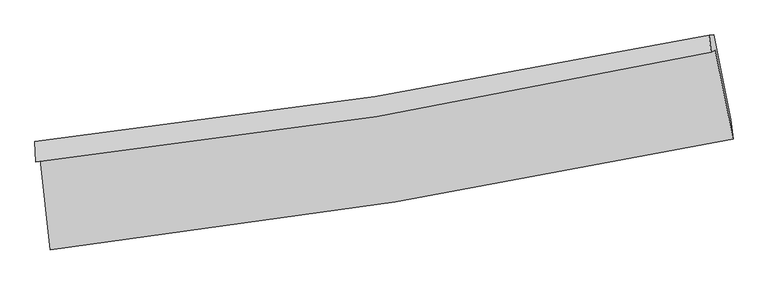
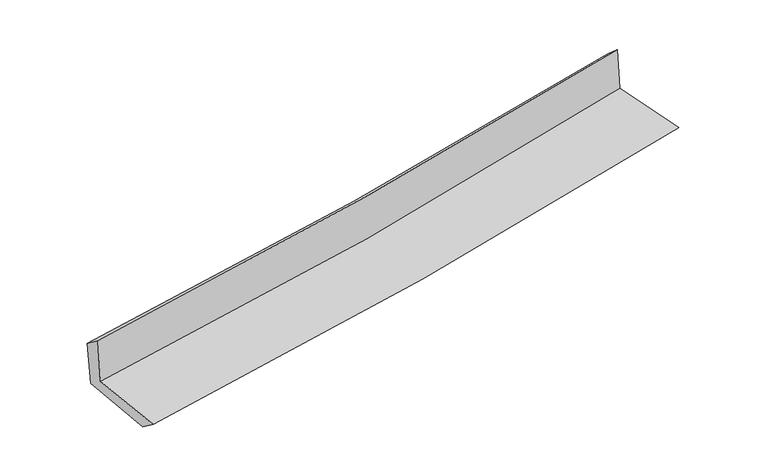
"""IFC4 building model written with IfcOpenShell, lengths in millimetres: proxy geometry."""

from ifc_helpers import new_model, si_unit, frame, origin, place, context, project, spatial, source, transform, mapped, element, save
from ifc_brep_helpers import plane_surface, spline_curve, spline_surface, advanced_brep


def generic_models_2dd49b40(model_context):
    return source(origin(), model_context, "Body", "AdvancedBrep", [
        advanced_brep(
        [(-2546.8197367, -1877.5150437, 1660.238), (-2472.4349453, -2551.2685296, 1643.3606532), (2610.6618296, -1724.1997976, 2115.4757634), (2477.5660459, -1061.6827093, 2127.1433059), (-2578.997514, -1895.2827471, 2057.2271769), (2447.0401552, -1078.597006, 2507.9806347), (-2585.6880865, -1744.8276301, 1945.5097749), (2431.6623011, -950.6578922, 2394.2394189), (-2552.9005004, -1743.5898144, 1562.2527129), (2465.4354037, -949.2628744, 2011.6740698), (-2479.0008533, -2403.6149835, 1533.7225499), (2593.4147609, -1581.1547981, 1988.9065151)],
        [
            (0, 1),
            (1, 2, spline_curve(3, [(-2472.4349453, -2551.2685296, 1643.3606532), (-1613.485859654, -2452.751743872, 1723.094164339), (-757.847594905, -2334.026208537, 1802.542900318), (936.437928272, -2057.847905249, 1959.907716485), (1775.165255249, -1900.883863305, 2037.830684249), (2610.6618296, -1724.1997976, 2115.4757634)], [4, 2, 4], [0.0, 8.489362647082986, 16.87544421667034])),
            (2, 3),
            (3, 0, spline_curve(3, [(2477.5660459, -1061.6827093, 2127.1433059), (1653.11827686, -1245.201598088, 2050.173255719), (824.78204194, -1404.679027058, 1973.01872058), (-849.916850091, -1677.218963197, 1817.388191002), (-1696.375876075, -1789.68564593, 1738.907623929), (-2546.8197367, -1877.5150437, 1660.238)], [4, 2, 4], [0.0, 8.386081569587352, 16.87544421667034])),
            (4, 0),
            (3, 5),
            (5, 4, spline_curve(3, [(2447.0401552, -1078.597006, 2507.9806347), (1621.412200001, -1262.625283588, 2444.741665515), (792.346283066, -1422.429215136, 2375.824251728), (-882.914402707, -1695.258152866, 2225.713829006), (-1729.194375621, -1807.682801972, 2144.380090237), (-2578.997514, -1895.2827471, 2057.2271769)], [4, 2, 4], [0.0, 8.338235476474514, 16.77916276881995])),
            (6, 4),
            (5, 7),
            (7, 6, spline_curve(3, [(2431.6623011, -950.6578922, 2394.2394189), (1606.876278821, -1123.766530174, 2321.955957178), (778.949010764, -1276.223789524, 2248.655213252), (-893.423267979, -1541.458843399, 2099.103876802), (-1737.946129405, -1653.724829865, 2022.828072819), (-2585.6880865, -1744.8276301, 1945.5097749)], [4, 2, 4], [0.0, 8.327930627490003, 16.75842615866939])),
            (8, 6),
            (7, 9),
            (9, 8, spline_curve(3, [(2465.4354037, -949.2628744, 2011.6740698), (1640.196644327, -1122.416568489, 1942.622325737), (811.960498034, -1274.909434265, 1870.89039049), (-860.743851992, -1540.19712259, 1721.149695452), (-1705.286340302, -1652.479903724, 1643.074511619), (-2552.9005004, -1743.5898144, 1562.2527129)], [4, 2, 4], [0.0, 8.318205631466908, 16.738856395779145])),
            (10, 8),
            (9, 11),
            (11, 10, spline_curve(3, [(2593.4147609, -1581.1547981, 1988.9065151), (1759.556450569, -1759.296216206, 1918.917787318), (922.532503812, -1916.614035333, 1846.240135456), (-768.194246245, -2191.2835063, 1694.578787508), (-1621.975504324, -2308.119082603, 1615.528450468), (-2479.0008533, -2403.6149835, 1533.7225499)], [4, 2, 4], [0.0, 8.366473624403458, 16.83598683929944])),
            (1, 10),
            (11, 2),
        ],
        [
            spline_surface(3, 3, [[(-2546.8197367, -1877.5150437, 1660.238), (-1696.375876111, -1789.685645927, 1738.907623973), (-849.916850152, -1677.218963297, 1817.38819087), (824.782042, -1404.67902696, 1973.018720711), (1653.118276891, -1245.201598071, 2050.173255769), (2477.5660459, -1061.6827093, 2127.1433059)], [(-2522.024806218, -2102.099538999, 1654.612217744), (-1668.745870629, -2010.707678537, 1733.636470811), (-819.227098414, -1896.154711706, 1812.439760651), (862.000670734, -1622.40198645, 1968.648386017), (1693.800602946, -1463.762353135, 2046.059065271), (2521.931307109, -1282.521738718, 2123.254125061)], [(-2497.229875782, -2326.684034301, 1648.986435456), (-1641.115865192, -2231.729711151, 1728.365317618), (-788.537346625, -2115.09046003, 1807.491330412), (899.21929952, -1840.124945856, 1964.278051302), (1734.482929072, -1682.323108247, 2041.944874789), (2566.296568391, -1503.360768182, 2119.364944239)], [(-2472.4349453, -2551.2685296, 1643.3606532), (-1613.48585971, -2452.751743761, 1723.094164456), (-757.847594887, -2334.026208439, 1802.542900193), (936.437928254, -2057.847905347, 1959.907716609), (1775.165255127, -1900.883863311, 2037.830684292), (2610.6618296, -1724.1997976, 2115.4757634)]], [4, 4], [4, 2, 4], [0.0, 2.1752400325654087], [0.0, 8.489362647082986, 16.87544421667034]),
            spline_surface(3, 3, [[(-2578.997514, -1895.2827471, 2057.2271769), (-1729.194375702, -1807.682801841, 2144.380090373), (-882.9144028, -1695.258152882, 2225.71382914), (792.346283158, -1422.429215121, 2375.824251597), (1621.412199989, -1262.625283684, 2444.741665385), (2447.0401552, -1078.597006, 2507.9806347)], [(-2568.271588248, -1889.360179305, 1924.897451271), (-1718.254875853, -1801.683749875, 2009.222601577), (-871.915218578, -1689.245089677, 2089.605283056), (803.158202779, -1416.512485725, 2241.555741308), (1631.980892282, -1256.817388496, 2313.218862167), (2457.215452093, -1072.958907116, 2381.034858421)], [(-2557.545662452, -1883.437611495, 1792.567725629), (-1707.31537596, -1795.684697893, 1874.065112769), (-860.916034375, -1683.232026501, 1953.496736954), (813.970122379, -1410.595756356, 2107.287231), (1642.549584598, -1251.009493259, 2181.696058987), (2467.390749007, -1067.320808184, 2254.089082179)], [(-2546.8197367, -1877.5150437, 1660.238), (-1696.375876111, -1789.685645927, 1738.907623973), (-849.916850152, -1677.218963297, 1817.38819087), (824.782042, -1404.67902696, 1973.018720711), (1653.118276891, -1245.201598071, 2050.173255769), (2477.5660459, -1061.6827093, 2127.1433059)]], [4, 4], [4, 2, 4], [0.0, 1.3363180457055077], [0.0, 8.440927292345437, 16.77916276881995]),
            spline_surface(3, 3, [[(-2585.6880865, -1744.8276301, 1945.5097749), (-1737.946129295, -1653.724829794, 2022.828072739), (-893.423268113, -1541.458843319, 2099.103876793), (778.949010897, -1276.223789603, 2248.655213261), (1606.876278894, -1123.766530122, 2321.955957202), (2431.6623011, -950.6578922, 2394.2394189)], [(-2583.457895649, -1794.979335762, 1982.748908876), (-1735.02887808, -1705.044153805, 2063.345411926), (-889.920313001, -1592.725279827, 2141.307194228), (783.414768325, -1324.958931429, 2291.044892692), (1611.721585933, -1170.052781325, 2362.884526592), (2436.788252474, -993.304263482, 2432.153157496)], [(-2581.227704851, -1845.131041438, 2019.988042924), (-1732.111626917, -1756.36347783, 2103.862751186), (-886.417357912, -1643.991716374, 2183.510511705), (787.88052573, -1373.694073295, 2333.434572165), (1616.566892949, -1216.339032481, 2403.813095994), (2441.914203826, -1035.950634718, 2470.066896104)], [(-2578.997514, -1895.2827471, 2057.2271769), (-1729.194375702, -1807.682801841, 2144.380090373), (-882.9144028, -1695.258152882, 2225.71382914), (792.346283158, -1422.429215121, 2375.824251597), (1621.412199989, -1262.625283684, 2444.741665385), (2447.0401552, -1078.597006, 2507.9806347)]], [4, 4], [4, 2, 4], [0.0, 0.6458917045527353], [0.0, 8.430495531179387, 16.75842615866939]),
            spline_surface(3, 3, [[(-2552.9005004, -1743.5898144, 1562.2527129), (-1705.286340257, -1652.479903659, 1643.074511519), (-860.743851889, -1540.197122729, 1721.149695375), (811.960497933, -1274.909434128, 1870.890390567), (1640.196644201, -1122.416568378, 1942.622325676), (2465.4354037, -949.2628744, 2011.6740698)], [(-2563.829695753, -1744.002419622, 1690.005066911), (-1716.172936589, -1652.894879026, 1769.659031937), (-871.63699064, -1540.617696254, 1847.134422526), (800.956668911, -1275.347552614, 1996.811998143), (1629.089855758, -1122.866555602, 2069.066869531), (2454.177702826, -949.72788031, 2139.195852846)], [(-2574.758891147, -1744.415024878, 1817.757420889), (-1727.059532963, -1653.309854427, 1896.243552321), (-882.530129362, -1541.038269794, 1973.119149642), (789.952839918, -1275.785671116, 2122.733605684), (1617.983067336, -1123.316542897, 2195.511413347), (2442.920001974, -950.19288629, 2266.717635854)], [(-2585.6880865, -1744.8276301, 1945.5097749), (-1737.946129295, -1653.724829794, 2022.828072739), (-893.423268113, -1541.458843319, 2099.103876793), (778.949010897, -1276.223789603, 2248.655213261), (1606.876278894, -1123.766530122, 2321.955957202), (2431.6623011, -950.6578922, 2394.2394189)]], [4, 4], [4, 2, 4], [0.0, 1.244382270640591], [0.0, 8.420650764312237, 16.738856395779145]),
            spline_surface(3, 3, [[(-2479.0008533, -2403.6149835, 1533.7225499), (-1621.975504285, -2308.11908251, 1615.528450606), (-768.194246258, -2191.283506352, 1694.578787369), (922.532503825, -1916.614035281, 1846.240135594), (1759.556450486, -1759.296216313, 1918.917787183), (2593.4147609, -1581.1547981, 1988.9065151)], [(-2503.634069005, -2183.606593786, 1543.232604241), (-1649.745782947, -2089.572689546, 1624.710470919), (-799.04411481, -1974.254711832, 1703.435756682), (885.675168519, -1702.712501585, 1854.456887229), (1719.769848395, -1547.00300033, 1926.819299999), (2550.754975171, -1370.524156862, 1996.495699985)], [(-2528.267284695, -1963.598204114, 1552.742658559), (-1677.516061595, -1871.026296623, 1633.892491207), (-829.893983337, -1757.225917249, 1712.292726061), (848.817833239, -1488.810967824, 1862.673638931), (1679.983246291, -1334.70978436, 1934.72081286), (2508.095189429, -1159.893515638, 2004.084884915)], [(-2552.9005004, -1743.5898144, 1562.2527129), (-1705.286340257, -1652.479903659, 1643.074511519), (-860.743851889, -1540.197122729, 1721.149695375), (811.960497933, -1274.909434128, 1870.890390567), (1640.196644201, -1122.416568378, 1942.622325676), (2465.4354037, -949.2628744, 2011.6740698)]], [4, 4], [4, 2, 4], [0.0, 2.148511924323548], [0.0, 8.469513214895983, 16.83598683929944]),
            spline_surface(3, 3, [[(-2472.4349453, -2551.2685296, 1643.3606532), (-1613.48585971, -2452.751743761, 1723.094164456), (-757.847594887, -2334.026208439, 1802.542900193), (936.437928254, -2057.847905347, 1959.907716609), (1775.165255127, -1900.883863311, 2037.830684292), (2610.6618296, -1724.1997976, 2115.4757634)], [(-2474.623581327, -2502.050680927, 1606.814618757), (-1616.315741262, -2404.540856704, 1687.238926496), (-761.296478656, -2286.445307722, 1766.554862596), (931.802786798, -2010.769948637, 1922.018522948), (1769.962320273, -1853.68798099, 1998.193051947), (2604.912806726, -1676.518131112, 2073.286013991)], [(-2476.812217273, -2452.832832173, 1570.268584343), (-1619.145622732, -2356.329969567, 1651.383688566), (-764.745362488, -2238.864407069, 1730.566824965), (927.167645281, -1963.691991991, 1884.129329254), (1764.75938534, -1806.492098634, 1958.555419528), (2599.163783774, -1628.836464588, 2031.096264509)], [(-2479.0008533, -2403.6149835, 1533.7225499), (-1621.975504285, -2308.11908251, 1615.528450606), (-768.194246258, -2191.283506352, 1694.578787369), (922.532503825, -1916.614035281, 1846.240135594), (1759.556450486, -1759.296216313, 1918.917787183), (2593.4147609, -1581.1547981, 1988.9065151)]], [4, 4], [4, 2, 4], [0.0, 0.5922104306009267], [0.0, 8.527831030592898, 16.951912979640436]),
            plane_surface(frame((2504.2967494, -1224.2591796, 2190.9032846), z_axis=(0.9769923916394849, 0.19474058162499536, 0.08695960295975366), x_axis=(-0.08793802228866754, -0.003632331372496444, 0.996119325384644))),
            plane_surface(frame((-2535.973606, -2036.0164581, 1733.718478), z_axis=(-0.9905860348534031, -0.10723273390036372, -0.0850908240274258), x_axis=(-0.10970281046946383, 0.993652728333392, 0.024890738251552212))),
        ],
        [
            (0, [[1, 2, 3, 4]]),
            (1, [[5, -4, 6, 7]]),
            (2, [[8, -7, 9, 10]]),
            (3, [[11, -10, 12, 13]]),
            (4, [[14, -13, 15, 16]]),
            (5, [[17, -16, 18, -2]]),
            (6, [[-12, -9, -6, -3, -18, -15]]),
            (7, [[-1, -5, -8, -11, -14, -17]]),
        ],
    ),
    ])


if __name__ == "__main__":
    model = new_model("IFC4")
    model_context = context("Model", 3, world=origin())
    ifc_project = project(units=[si_unit("LENGTHUNIT", "METRE", prefix="MILLI")], contexts=[model_context])
    site = spatial("IfcSite", under=ifc_project)
    building = spatial("IfcBuilding", under=site)
    placement = place(None, origin())
    generic_models_shape = generic_models_2dd49b40(model_context)
    element("IfcBuildingElementProxy", 1, Name="Generic Models", at=placement, inside=building, context=model_context, shape_type="MappedRepresentation", body=[
        mapped(generic_models_shape, transform((0.0, 0.0, 0.0), x_axis=(1.0, 0.0, 0.0), y_axis=(0.0, 1.0, 0.0), z_axis=(0.0, 0.0, 1.0))),
    ])
    save(model, "model.ifc")
